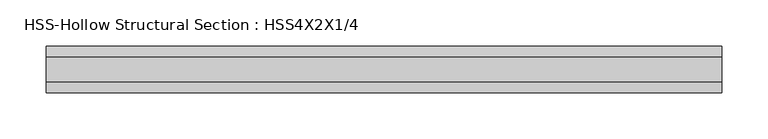
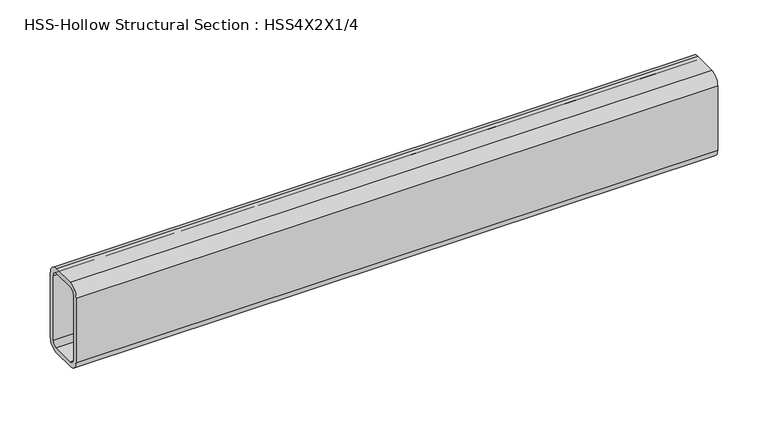
"""IFC4 building model written with IfcOpenShell, lengths in millimetres: beam geometry, HSS-Hollow Structural Section : HSS4X2X1/4."""

from ifc_helpers import new_model, si_unit, point, frame, frame_2d, origin, place, context, project, spatial, polyline, circle_curve, trimmed, segment, composite_curve, outline, extrude, source, transform, mapped, element, save


def hss_hollow_structural_section_hss4x2x1_4_69e7c791(model_context):
    return source(origin(), model_context, "Body", "SweptSolid", [
        extrude(outline(composite_curve([segment(polyline([(25.4, 38.9636), (25.4, -38.9636)]), True, "CONTINUOUS"), segment(trimmed(circle_curve(frame_2d((13.5636, -38.9636)), 11.8364), [point((25.4, -38.9636))], [point((13.5636, -50.8))], False, "CARTESIAN"), True, "CONTINUOUS"), segment(polyline([(13.5636, -50.8), (-13.5636, -50.8)]), True, "CONTINUOUS"), segment(trimmed(circle_curve(frame_2d((-13.5636, -38.9636)), 11.8364), [point((-13.5636, -50.8))], [point((-25.4, -38.9636))], False, "CARTESIAN"), True, "CONTINUOUS"), segment(polyline([(-25.4, -38.9636), (-25.4, 38.9636)]), True, "CONTINUOUS"), segment(trimmed(circle_curve(frame_2d((-13.5636, 38.9636)), 11.8364), [point((-25.4, 38.9636))], [point((-13.5636, 50.8))], False, "CARTESIAN"), True, "CONTINUOUS"), segment(polyline([(-13.5636, 50.8), (13.5636, 50.8)]), True, "CONTINUOUS"), segment(trimmed(circle_curve(frame_2d((13.5636, 38.9636)), 11.8364), [point((13.5636, 50.8))], [point((25.4, 38.9636))], False, "CARTESIAN"), True, "CONTINUOUS")], self_intersect=False), holes=[composite_curve([segment(trimmed(circle_curve(frame_2d((-13.5636, 38.9636)), 5.9182), [point((-13.5636, 44.8818))], [point((-19.4818, 38.9636))], True, "CARTESIAN"), True, "CONTINUOUS"), segment(polyline([(-19.4818, 38.9636), (-19.4818, -38.9636)]), True, "CONTINUOUS"), segment(trimmed(circle_curve(frame_2d((-13.5636, -38.9636)), 5.9182), [point((-19.4818, -38.9636))], [point((-13.5636, -44.8818))], True, "CARTESIAN"), True, "CONTINUOUS"), segment(polyline([(-13.5636, -44.8818), (13.5636, -44.8818)]), True, "CONTINUOUS"), segment(trimmed(circle_curve(frame_2d((13.5636, -38.9636)), 5.9182), [point((13.5636, -44.8818))], [point((19.4818, -38.9636))], True, "CARTESIAN"), True, "CONTINUOUS"), segment(polyline([(19.4818, -38.9636), (19.4818, 38.9636)]), True, "CONTINUOUS"), segment(trimmed(circle_curve(frame_2d((13.5636, 38.9636)), 5.9182), [point((19.4818, 38.9636))], [point((13.5636, 44.8818))], True, "CARTESIAN"), True, "CONTINUOUS"), segment(polyline([(13.5636, 44.8818), (-13.5636, 44.8818)]), True, "CONTINUOUS")], self_intersect=False)]), frame((-354.1781193, 0.0, 0.0), z_axis=(1.0, 0.0, 0.0), x_axis=(0.0, 1.0, 0.0)), (0.0, 0.0, 1.0), 733.7566179),
    ])


if __name__ == "__main__":
    model = new_model("IFC4")
    model_context = context("Model", 3, world=origin())
    ifc_project = project(units=[si_unit("LENGTHUNIT", "METRE", prefix="MILLI")], contexts=[model_context])
    site = spatial("IfcSite", under=ifc_project)
    building = spatial("IfcBuilding", under=site)
    placement = place(None, origin())
    hss_hollow_structural_section_hss4x2x1_4_shape = hss_hollow_structural_section_hss4x2x1_4_69e7c791(model_context)
    element("IfcBeam", 1, ObjectType="HSS-Hollow Structural Section : HSS4X2X1/4", at=placement, inside=building, context=model_context, shape_type="MappedRepresentation", body=[
        mapped(hss_hollow_structural_section_hss4x2x1_4_shape, transform((0.0, 0.0, 0.0), x_axis=(1.0, 0.0, 0.0), y_axis=(0.0, 1.0, 0.0), z_axis=(0.0, 0.0, 1.0))),
    ])
    save(model, "model.ifc")
